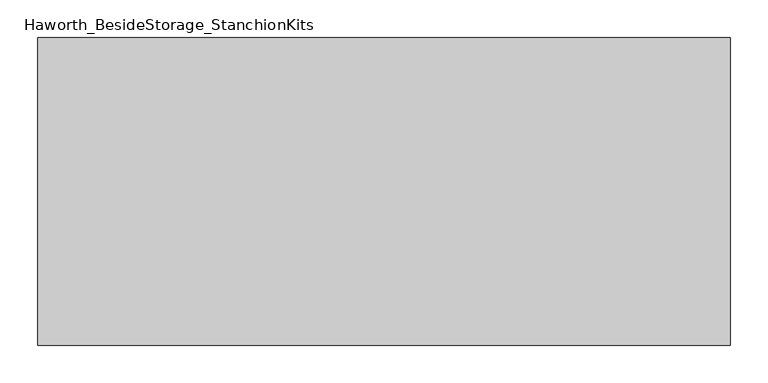
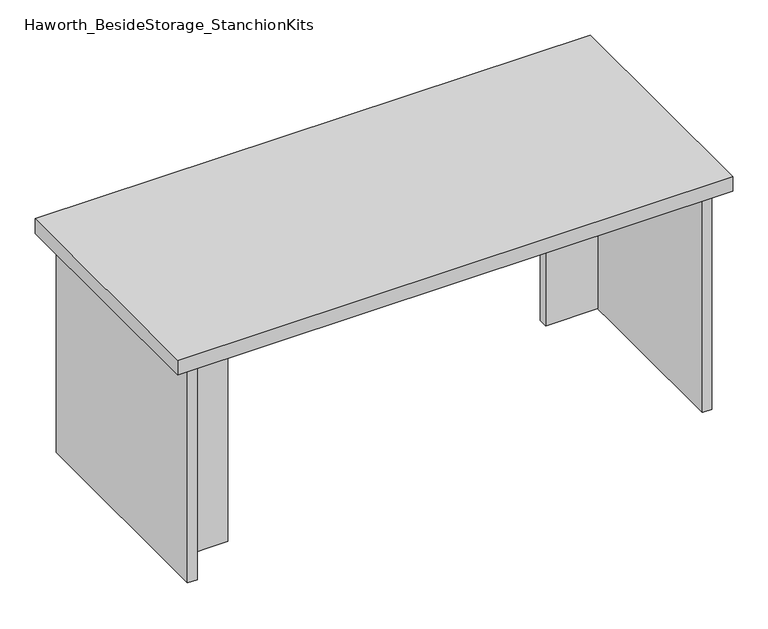
"""IFC4 building model written with IfcOpenShell, lengths in millimetres: furniture geometry, Haworth_BesideStorage_StanchionKits."""

from ifc_helpers import new_model, si_unit, frame, origin, place, context, project, spatial, polyline, outline, extrude, source, transform, mapped, element, save


def haworth_besidestorage_stanchionkits_e015616d(model_context):
    return source(origin(), model_context, "Body", "SweptSolid", [
        extrude(outline(polyline([(619.125, 0.0), (619.125, -406.4), (-295.275, -406.4), (-295.275, 0.0), (619.125, 0.0)])), frame((0.0, 0.0, 812.8), z_axis=(0.0, 0.0, 1.0), x_axis=(1.0, 0.0, 0.0)), (0.0, 0.0, 1.0), 25.4),
        extrude(outline(polyline([(492.125, -76.2), (577.85, -76.2), (577.85, -92.075), (492.125, -92.075), (492.125, -76.2)])), frame((0.0, 0.0, 431.8), z_axis=(0.0, 0.0, 1.0), x_axis=(1.0, 0.0, 0.0)), (0.0, 0.0, 1.0), 381.0),
        extrude(outline(polyline([(-168.275, -314.325), (-168.275, -330.2), (-254.0, -330.2), (-254.0, -314.325), (-168.275, -314.325)])), frame((0.0, 0.0, 431.8), z_axis=(0.0, 0.0, 1.0), x_axis=(1.0, 0.0, 0.0)), (0.0, 0.0, 1.0), 381.0),
        extrude(outline(polyline([(593.725, -390.525), (577.85, -390.525), (577.85, -15.875), (593.725, -15.875), (593.725, -390.525)])), frame((0.0, 0.0, 431.8), z_axis=(0.0, 0.0, 1.0), x_axis=(1.0, 0.0, 0.0)), (0.0, 0.0, 1.0), 381.0),
        extrude(outline(polyline([(-254.0, -390.525), (-269.875, -390.525), (-269.875, -15.875), (-254.0, -15.875), (-254.0, -390.525)])), frame((0.0, 0.0, 431.8), z_axis=(0.0, 0.0, 1.0), x_axis=(1.0, 0.0, 0.0)), (0.0, 0.0, 1.0), 381.0),
    ])


if __name__ == "__main__":
    model = new_model("IFC4")
    model_context = context("Model", 3, world=origin())
    ifc_project = project(units=[si_unit("LENGTHUNIT", "METRE", prefix="MILLI")], contexts=[model_context])
    site = spatial("IfcSite", under=ifc_project)
    building = spatial("IfcBuilding", under=site)
    placement = place(None, origin())
    haworth_besidestorage_stanchionkits_shape = haworth_besidestorage_stanchionkits_e015616d(model_context)
    element("IfcFurniture", 1, ObjectType="Haworth_BesideStorage_StanchionKits", at=placement, inside=building, context=model_context, shape_type="MappedRepresentation", body=[
        mapped(haworth_besidestorage_stanchionkits_shape, transform((0.0, 0.0, 0.0), x_axis=(1.0, 0.0, 0.0), y_axis=(0.0, 1.0, 0.0), z_axis=(0.0, 0.0, 1.0))),
    ])
    save(model, "model.ifc")
